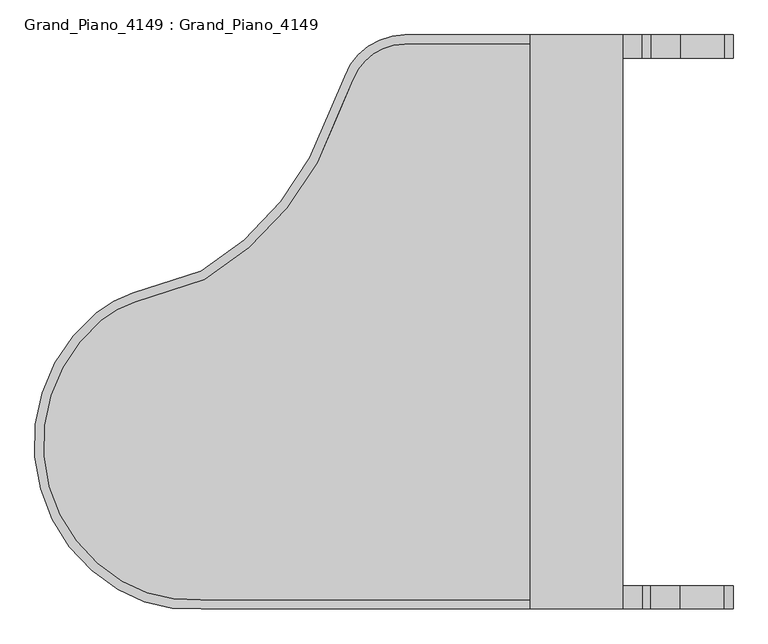
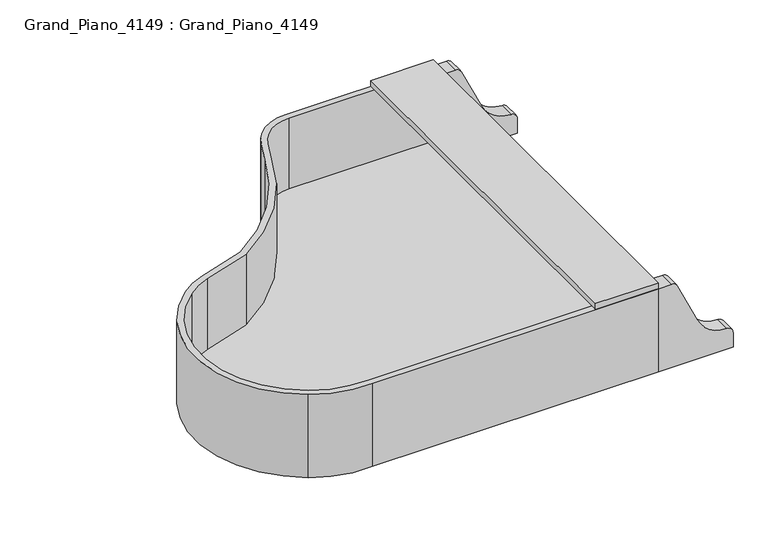
"""IFC4 building model written with IfcOpenShell, lengths in millimetres: proxy geometry, Grand_Piano_4149 : Grand_Piano_4149."""

from ifc_helpers import new_model, si_unit, point, frame, frame_2d, origin, place, context, project, spatial, polyline, circle_curve, trimmed, segment, composite_curve, outline, extrude, faceted_brep, source, transform, mapped, element, save
from ifc_brep_helpers import plane_surface, cylinder_surface, revolved_surface, advanced_brep


def grand_piano_4149_grand_piano_4149_5806e98f(model_context):
    return source(origin(), model_context, "Body", "SolidModel", [
        advanced_brep(
        [(228.6, 53.0468226, 1016.0), (457.2000431, 0.0, 1016.0), (1612.9, 0.0, 1016.0), (1612.9, 1574.8, 1016.0), (1016.0, 1574.8, 1016.0), (850.9, 1460.5, 1016.0), (812.8, 1371.6, 1016.0), (457.2, 927.1, 1016.0), (269.0793899, 866.242126, 1016.0), (169.1344165, 811.5252966, 1016.0), (276.8974813, 842.0752592, 1016.0), (467.7030104, 903.8017168, 1016.0), (836.4175492, 1362.099412, 1016.0), (874.6744, 1451.5592, 1016.0), (1016.0, 1549.4, 1016.0), (1587.5, 1549.4, 1016.0), (1587.5, 25.4, 1016.0), (456.2129189, 25.4, 1016.0), (241.4938902, 74.9307801, 1016.0), (185.2812557, 791.9181657, 1016.0), (228.6, 53.0468226, 660.4), (169.1344165, 811.5252966, 660.4), (269.0793899, 866.242126, 660.4), (457.2, 927.1, 660.4), (812.8, 1371.6, 660.4), (850.9, 1460.5, 660.4), (1016.0, 1574.8, 660.4), (1612.9, 1574.8, 660.4), (1612.9, 0.0, 660.4), (457.2000431, 0.0, 660.4), (467.7030104, 903.8017168, 713.2368786), (276.8974813, 842.0752592, 713.2368786), (185.2812557, 791.9181657, 713.2368786), (241.4938902, 74.9307801, 713.2368786), (456.2129189, 25.4, 713.2368786), (1587.5, 25.4, 713.2368786), (1587.5, 1549.4, 713.2368786), (1016.0, 1549.4, 713.2368786), (874.6744, 1451.5592, 713.2368786), (836.4175492, 1362.099412, 713.2368786)],
        [
            (0, 1, circle_curve(frame((427.3193585, 390.3202066, 1016.0), z_axis=(0.0, 0.0, 1.0), x_axis=(1.0, 0.0, 0.0)), 391.462283)),
            (1, 2),
            (2, 3),
            (3, 4),
            (4, 5, circle_curve(frame((1016.0, 1398.4111111, 1016.0), z_axis=(0.0, 0.0, 1.0), x_axis=(1.0, 0.0, 0.0)), 176.3888889)),
            (5, 6, circle_curve(frame((-151.2186047, 1837.3651163, 1016.0), z_axis=(0.0, 0.0, -1.0), x_axis=(1.0, 0.0, 0.0)), 1070.6395349)),
            (6, 7, circle_curve(frame((44.8147767, 1621.4981786, 1016.0), z_axis=(0.0, 0.0, -1.0), x_axis=(1.0, 0.0, 0.0)), 807.6202095)),
            (7, 8),
            (8, 9, circle_curve(frame((362.8964871, 576.2397255, 1016.0), z_axis=(0.0, 0.0, 1.0), x_axis=(1.0, 0.0, 0.0)), 304.8)),
            (9, 0, circle_curve(frame((464.306957, 453.0968408, 1016.0), z_axis=(0.0, 0.0, 1.0), x_axis=(1.0, 0.0, 0.0)), 464.3250872)),
            (10, 11),
            (11, 12, circle_curve(frame((44.8147767, 1621.4981786, 1016.0), z_axis=(0.0, 0.0, 1.0), x_axis=(1.0, 0.0, 0.0)), 833.0202095)),
            (12, 13, circle_curve(frame((-151.2186047, 1837.3651163, 1016.0), z_axis=(0.0, 0.0, 1.0), x_axis=(1.0, 0.0, 0.0)), 1096.0395349)),
            (13, 14, circle_curve(frame((1016.0, 1398.4111111, 1016.0), z_axis=(0.0, 0.0, -1.0), x_axis=(1.0, 0.0, 0.0)), 150.9888889)),
            (14, 15),
            (15, 16),
            (16, 17),
            (17, 18, circle_curve(frame((427.3193585, 390.3202066, 1016.0), z_axis=(0.0, 0.0, -1.0), x_axis=(1.0, 0.0, 0.0)), 366.062283)),
            (18, 19, circle_curve(frame((464.306957, 453.0968408, 1016.0), z_axis=(0.0, 0.0, -1.0), x_axis=(1.0, 0.0, 0.0)), 438.9250872)),
            (19, 10, circle_curve(frame((362.8964871, 576.2397255, 1016.0), z_axis=(0.0, 0.0, -1.0), x_axis=(1.0, 0.0, 0.0)), 279.4)),
            (20, 21, circle_curve(frame((464.306957, 453.0968408, 660.4), z_axis=(0.0, 0.0, -1.0), x_axis=(1.0, 0.0, 0.0)), 464.3250872)),
            (21, 22, circle_curve(frame((362.8964871, 576.2397255, 660.4), z_axis=(0.0, 0.0, -1.0), x_axis=(1.0, 0.0, 0.0)), 304.8)),
            (22, 23),
            (23, 24, circle_curve(frame((44.8147767, 1621.4981786, 660.4), z_axis=(0.0, 0.0, 1.0), x_axis=(1.0, 0.0, 0.0)), 807.6202095)),
            (24, 25, circle_curve(frame((-151.2186047, 1837.3651163, 660.4), z_axis=(0.0, 0.0, 1.0), x_axis=(1.0, 0.0, 0.0)), 1070.6395349)),
            (25, 26, circle_curve(frame((1016.0, 1398.4111111, 660.4), z_axis=(0.0, 0.0, -1.0), x_axis=(1.0, 0.0, 0.0)), 176.3888889)),
            (26, 27),
            (27, 28),
            (28, 29),
            (29, 20, circle_curve(frame((427.3193585, 390.3202066, 660.4), z_axis=(0.0, 0.0, -1.0), x_axis=(1.0, 0.0, 0.0)), 391.462283)),
            (0, 20),
            (29, 1),
            (28, 2),
            (27, 3),
            (26, 4),
            (25, 5),
            (24, 6),
            (23, 7),
            (22, 8),
            (21, 9),
            (30, 31),
            (31, 32, circle_curve(frame((362.8964871, 576.2397255, 713.2368786), z_axis=(0.0, 0.0, 1.0), x_axis=(1.0, 0.0, 0.0)), 279.4)),
            (32, 33, circle_curve(frame((464.306957, 453.0968408, 713.2368786), z_axis=(0.0, 0.0, 1.0), x_axis=(1.0, 0.0, 0.0)), 438.9250872)),
            (33, 34, circle_curve(frame((427.3193585, 390.3202066, 713.2368786), z_axis=(0.0, 0.0, 1.0), x_axis=(1.0, 0.0, 0.0)), 366.062283)),
            (34, 35),
            (35, 36),
            (36, 37),
            (37, 38, circle_curve(frame((1016.0, 1398.4111111, 713.2368786), z_axis=(0.0, 0.0, 1.0), x_axis=(1.0, 0.0, 0.0)), 150.9888889)),
            (38, 39, circle_curve(frame((-151.2186047, 1837.3651163, 713.2368786), z_axis=(0.0, 0.0, -1.0), x_axis=(1.0, 0.0, 0.0)), 1096.0395349)),
            (39, 30, circle_curve(frame((44.8147767, 1621.4981786, 713.2368786), z_axis=(0.0, 0.0, -1.0), x_axis=(1.0, 0.0, 0.0)), 833.0202095)),
            (30, 11),
            (10, 31),
            (19, 32),
            (18, 33),
            (17, 34),
            (16, 35),
            (15, 36),
            (14, 37),
            (13, 38),
            (12, 39),
        ],
        [
            plane_surface(frame((818.7816415, 390.3202066, 1016.0), z_axis=(0.0, 0.0, 1.0), x_axis=(0.0, 1.0, 0.0))),
            plane_surface(frame((818.7816415, 390.3202066, 660.4), z_axis=(0.0, 0.0, -1.0), x_axis=(0.0, -1.0, 0.0))),
            cylinder_surface(frame((427.3193585, 390.3202066, 660.4), z_axis=(0.0, 0.0, 1.0), x_axis=(1.0, 0.0, 0.0)), 391.462283),
            plane_surface(frame((457.2000431, 0.0, 1016.0), z_axis=(0.0, -1.0, 0.0), x_axis=(0.0, 0.0, -1.0))),
            plane_surface(frame((1612.9, 0.0, 1016.0), z_axis=(1.0, 0.0, 0.0), x_axis=(0.0, 0.0, -1.0))),
            plane_surface(frame((1612.9, 1574.8, 1016.0), z_axis=(0.0, 1.0, 0.0), x_axis=(0.0, 0.0, -1.0))),
            cylinder_surface(frame((1016.0, 1398.4111111, 660.4), z_axis=(0.0, 0.0, 1.0), x_axis=(1.0, 0.0, 0.0)), 176.3888889),
            revolved_surface(polyline([(919.4209301999999, 1837.3651163, 660.4), (919.4209301999999, 1837.3651163, 1016.0)]), (-151.2186047, 1837.3651163, 660.4), (0.0, 0.0, -1.0)),
            revolved_surface(polyline([(852.4349862, 1621.4981786, 660.4), (852.4349862, 1621.4981786, 1016.0)]), (44.8147767, 1621.4981786, 660.4), (0.0, 0.0, -1.0)),
            plane_surface(frame((457.2, 927.1, 1016.0), z_axis=(-0.3077988753019638, 0.9514514450894729, 0.0), x_axis=(0.0, 0.0, -1.0))),
            cylinder_surface(frame((362.8964871, 576.2397255, 660.4), z_axis=(0.0, 0.0, 1.0), x_axis=(1.0, 0.0, 0.0)), 304.8),
            cylinder_surface(frame((464.306957, 453.0968408, 660.4), z_axis=(0.0, 0.0, 1.0), x_axis=(1.0, 0.0, 0.0)), 464.3250872),
            plane_surface(frame((465.0180914, 902.9331333, 713.2368786), z_axis=(0.0, 0.0, 1.0), x_axis=(0.9514514450894728, 0.30779887530196404, 0.0))),
            plane_surface(frame((467.7030104, 903.8017168, 1018.0368786), z_axis=(0.30779887530196404, -0.9514514450894728, 0.0), x_axis=(0.0, 0.0, -1.0))),
            revolved_surface(polyline([(642.2964870999999, 576.2397255, 1016.0), (642.2964870999999, 576.2397255, 713.2368786)]), (362.8964871, 576.2397255, 713.2368786), (0.0, 0.0, 1.0)),
            revolved_surface(polyline([(903.2320442, 453.0968408, 1016.0), (903.2320442, 453.0968408, 713.2368786)]), (464.306957, 453.0968408, 713.2368786), (0.0, 0.0, 1.0)),
            revolved_surface(polyline([(793.3816415, 390.3202066, 1016.0), (793.3816415, 390.3202066, 713.2368786)]), (427.3193585, 390.3202066, 713.2368786), (0.0, 0.0, 1.0)),
            plane_surface(frame((456.2129189, 25.4, 1018.0368786), z_axis=(0.0, 1.0, 0.0), x_axis=(0.0, 0.0, -1.0))),
            plane_surface(frame((1587.5, 25.4, 1018.0368786), z_axis=(-1.0, 0.0, 0.0), x_axis=(0.0, 0.0, -1.0))),
            plane_surface(frame((1587.5, 1549.4, 1018.0368786), z_axis=(0.0, -1.0, 0.0), x_axis=(0.0, 0.0, -1.0))),
            revolved_surface(polyline([(1166.9888889, 1398.4111111, 1016.0), (1166.9888889, 1398.4111111, 713.2368786)]), (1016.0, 1398.4111111, 713.2368786), (0.0, 0.0, 1.0)),
            cylinder_surface(frame((-151.2186047, 1837.3651163, 713.2368786), z_axis=(0.0, 0.0, -1.0), x_axis=(1.0, 0.0, 0.0)), 1096.0395349),
            cylinder_surface(frame((44.8147767, 1621.4981786, 713.2368786), z_axis=(0.0, 0.0, -1.0), x_axis=(1.0, 0.0, 0.0)), 833.0202095),
        ],
        [
            (0, [[1, 2, 3, 4, 5, 6, 7, 8, 9, 10], [11, 12, 13, 14, 15, 16, 17, 18, 19, 20]]),
            (1, [[21, 22, 23, 24, 25, 26, 27, 28, 29, 30]]),
            (2, [[-1, 31, -30, 32]]),
            (3, [[-2, -32, -29, 33]]),
            (4, [[-3, -33, -28, 34]]),
            (5, [[-4, -34, -27, 35]]),
            (6, [[-5, -35, -26, 36]]),
            (7, [[-6, -36, -25, 37]]),
            (8, [[-7, -37, -24, 38]]),
            (9, [[-8, -38, -23, 39]]),
            (10, [[-9, -39, -22, 40]]),
            (11, [[-10, -40, -21, -31]]),
            (12, [[41, 42, 43, 44, 45, 46, 47, 48, 49, 50]]),
            (13, [[-41, 51, -11, 52]]),
            (14, [[-42, -52, -20, 53]]),
            (15, [[-43, -53, -19, 54]]),
            (16, [[-44, -54, -18, 55]]),
            (17, [[-45, -55, -17, 56]]),
            (18, [[-46, -56, -16, 57]]),
            (19, [[-47, -57, -15, 58]]),
            (20, [[-48, -58, -14, 59]]),
            (21, [[-49, -59, -13, 60]]),
            (22, [[-50, -60, -12, -51]]),
        ],
    ),
        faceted_brep([(1612.9, 1574.8, 1041.4), (1358.9, 1574.8, 1041.4), (1358.9, 0.0, 1041.4), (1612.9, 0.0, 1041.4), (1612.9, 1574.8, 1016.0), (1612.9, 0.0, 1016.0), (1358.9, 0.0, 1016.0), (1358.9, 25.4, 1016.0), (1587.5, 25.4, 1016.0), (1587.5, 1549.4, 1016.0), (1358.9, 1549.4, 1016.0), (1358.9, 1574.8, 1016.0), (1358.9, 1549.4, 1018.0368786), (1358.9, 25.4, 1018.0368786), (1587.5, 1549.4, 1018.0368786), (1587.5, 25.4, 1018.0368786)], [[[0, 1, 2, 3]], [[4, 5, 6, 7, 8, 9, 10, 11]], [[1, 0, 4, 11]], [[2, 1, 11, 10, 12, 13, 7, 6]], [[3, 2, 6, 5]], [[0, 3, 5, 4]], [[14, 15, 13, 12]], [[13, 15, 8, 7]], [[15, 14, 9, 8]], [[14, 12, 10, 9]]]),
        extrude(outline(composite_curve([segment(polyline([(1016.0, 1666.5684154), (1016.0, 1612.9), (660.3999516, 1612.9), (660.3999516, 1915.717768), (722.2803375, 1915.717768)]), True, "CONTINUOUS"), segment(trimmed(circle_curve(frame_2d((722.2803375, 1890.317768)), 25.4), [point((722.2803375, 1915.717768))], [point((747.6719547, 1890.9702846))], False, "CARTESIAN"), True, "CONTINUOUS"), segment(trimmed(circle_curve(frame_2d((883.509644, 1894.4610564)), 135.882535), [point((747.6719547, 1890.9702846))], [point((826.0832032, 1771.3096567))], True, "CARTESIAN"), True, "CONTINUOUS"), segment(polyline([(826.0832032, 1771.3096567), (1001.3345038, 1689.5886332)]), True, "CONTINUOUS"), segment(trimmed(circle_curve(frame_2d((990.6, 1666.5684154)), 25.4), [point((1001.3345038, 1689.5886332))], [point((1016.0, 1666.5684154))], False, "CARTESIAN"), True, "CONTINUOUS")], self_intersect=False)), frame((0.0, 1511.3000182, 0.0), z_axis=(0.0, 1.0, 0.0), x_axis=(0.0, 0.0, 1.0)), (0.0, 0.0, 1.0), 63.4999818),
        extrude(outline(composite_curve([segment(polyline([(1016.0, 1666.5684154), (1016.0, 1612.9), (660.3999516, 1612.9), (660.3999516, 1915.717768), (722.2803375, 1915.717768)]), True, "CONTINUOUS"), segment(trimmed(circle_curve(frame_2d((722.2803375, 1890.317768)), 25.4), [point((722.2803375, 1915.717768))], [point((747.6719547, 1890.9702846))], False, "CARTESIAN"), True, "CONTINUOUS"), segment(trimmed(circle_curve(frame_2d((883.509644, 1894.4610564)), 135.882535), [point((747.6719547, 1890.9702846))], [point((826.0832032, 1771.3096567))], True, "CARTESIAN"), True, "CONTINUOUS"), segment(polyline([(826.0832032, 1771.3096567), (1001.3345038, 1689.5886332)]), True, "CONTINUOUS"), segment(trimmed(circle_curve(frame_2d((990.6, 1666.5684154)), 25.4), [point((1001.3345038, 1689.5886332))], [point((1016.0, 1666.5684154))], False, "CARTESIAN"), True, "CONTINUOUS")], self_intersect=False)), frame((0.0, 0.0, 0.0), z_axis=(0.0, 1.0, 0.0), x_axis=(0.0, 0.0, 1.0)), (0.0, 0.0, 1.0), 63.4999818),
    ])


if __name__ == "__main__":
    model = new_model("IFC4")
    model_context = context("Model", 3, world=origin())
    ifc_project = project(units=[si_unit("LENGTHUNIT", "METRE", prefix="MILLI")], contexts=[model_context])
    site = spatial("IfcSite", under=ifc_project)
    building = spatial("IfcBuilding", under=site)
    placement = place(None, origin())
    grand_piano_4149_grand_piano_4149_shape = grand_piano_4149_grand_piano_4149_5806e98f(model_context)
    element("IfcBuildingElementProxy", 1, Name="Grand_Piano_4149 : Grand_Piano_4149", ObjectType="Grand_Piano_4149 : Grand_Piano_4149", at=placement, inside=building, context=model_context, shape_type="MappedRepresentation", body=[
        mapped(grand_piano_4149_grand_piano_4149_shape, transform((0.0, 0.0, 0.0), x_axis=(1.0, 0.0, 0.0), y_axis=(0.0, 1.0, 0.0), z_axis=(0.0, 0.0, 1.0))),
    ])
    save(model, "model.ifc")
